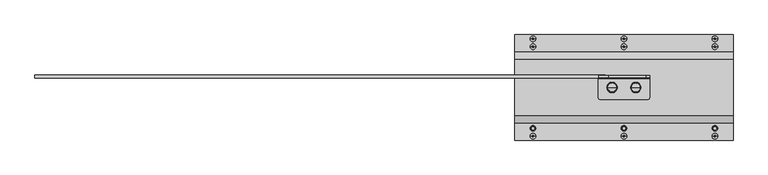
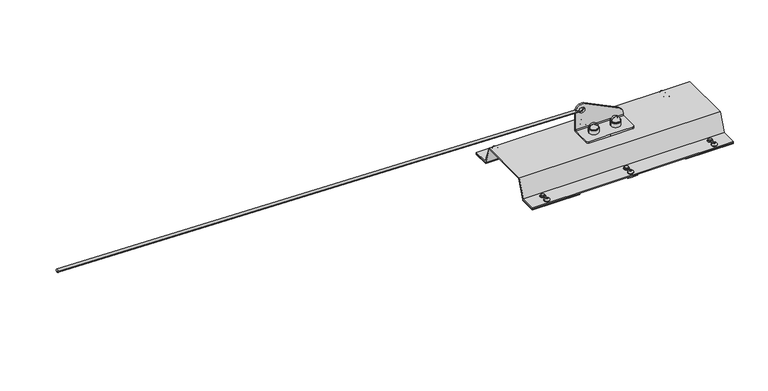
"""IFC4 building model written with IfcOpenShell, lengths in millimetres: proxy geometry."""

from ifc_helpers import new_model, si_unit, point, frame, origin, origin_with_axes, place, context, project, spatial, polyline, circle_curve, ellipse_curve, trimmed, outline, extrude, source, transform, mapped, element, save
from ifc_brep_helpers import plane_surface, cylinder_surface, revolved_surface, extruded_surface, advanced_brep


def specialty_equipment_577012ac(model_context):
    return source(origin(), model_context, "Body", "SolidModel", [
        advanced_brep(
        [(1460.0, -27.5, 61.0), (1447.0, -27.5, 61.0), (1473.0, -27.5, 61.0), (1448.8711318, -27.5, 74.769106), (1460.0, -27.5, 84.5), (1471.1288682, -27.5, 74.769106), (1448.3951125, -27.5, 74.0453749), (1471.6048875, -27.5, 74.0453749), (1447.4849619, -27.5, 73.4985013), (1472.5150381, -27.5, 73.4985013), (1447.0, -27.5, 72.641334), (1473.0, -27.5, 72.641334)],
        [
            (0, 1),
            (1, 2, circle_curve(frame((1460.0, -27.5, 61.0), z_axis=(0.0, 0.0, -1.0), x_axis=(1.0, 0.0, 0.0)), 13.0)),
            (2, 0),
            (2, 1, circle_curve(frame((1460.0, -27.5, 61.0), z_axis=(0.0, 0.0, -1.0), x_axis=(1.0, 0.0, 0.0)), 13.0)),
            (3, 4, circle_curve(frame((1460.0, -27.5, 73.2707129), z_axis=(0.0, 1.0, 0.0), x_axis=(1.0, 0.0, 0.0)), 11.2292871)),
            (4, 5, circle_curve(frame((1460.0, -27.5, 73.2707129), z_axis=(0.0, 1.0, 0.0), x_axis=(-1.0, 0.0, 0.0)), 11.2292871)),
            (5, 3, circle_curve(frame((1460.0, -27.5, 74.769106), z_axis=(0.0, 0.0, 1.0), x_axis=(1.0, 0.0, 0.0)), 11.1288682)),
            (3, 5, circle_curve(frame((1460.0, -27.5, 74.769106), z_axis=(0.0, 0.0, 1.0), x_axis=(1.0, 0.0, 0.0)), 11.1288682)),
            (6, 3, circle_curve(frame((1447.8800744, -27.5, 74.9025422), z_axis=(0.0, -1.0, 0.0), x_axis=(1.0, 0.0, 0.0)), 1.0)),
            (5, 7, circle_curve(frame((1472.1199256, -27.5, 74.9025422), z_axis=(0.0, -1.0, 0.0), x_axis=(-1.0, 0.0, 0.0)), 1.0)),
            (7, 6, circle_curve(frame((1460.0, -27.5, 74.0453749), z_axis=(0.0, 0.0, 1.0), x_axis=(1.0, 0.0, 0.0)), 11.6048875)),
            (6, 7, circle_curve(frame((1460.0, -27.5, 74.0453749), z_axis=(0.0, 0.0, 1.0), x_axis=(1.0, 0.0, 0.0)), 11.6048875)),
            (8, 6),
            (7, 9),
            (9, 8, circle_curve(frame((1460.0, -27.5, 73.4985013), z_axis=(0.0, 0.0, 1.0), x_axis=(1.0, 0.0, 0.0)), 12.5150381)),
            (8, 9, circle_curve(frame((1460.0, -27.5, 73.4985013), z_axis=(0.0, 0.0, 1.0), x_axis=(1.0, 0.0, 0.0)), 12.5150381)),
            (10, 8, circle_curve(frame((1448.0, -27.5, 72.641334), z_axis=(0.0, 1.0, 0.0), x_axis=(1.0, 0.0, 0.0)), 1.0)),
            (9, 11, circle_curve(frame((1472.0, -27.5, 72.641334), z_axis=(0.0, 1.0, 0.0), x_axis=(-1.0, 0.0, 0.0)), 1.0)),
            (11, 10, circle_curve(frame((1460.0, -27.5, 72.641334), z_axis=(0.0, 0.0, 1.0), x_axis=(1.0, 0.0, 0.0)), 13.0)),
            (10, 11, circle_curve(frame((1460.0, -27.5, 72.641334), z_axis=(0.0, 0.0, 1.0), x_axis=(1.0, 0.0, 0.0)), 13.0)),
            (1, 10),
            (11, 2),
        ],
        [
            plane_surface(frame((1460.0, -27.5, 61.0), z_axis=(0.0, 0.0, -1.0), x_axis=(1.0, 0.0, 0.0))),
            revolved_surface(trimmed(ellipse_curve(frame((1460.0, -27.5, 73.2707129), z_axis=(0.0, 1.0, 0.0), x_axis=(-1.0, 0.0, 0.0)), 11.2292871, 11.2292871), [point((1460.0, -27.5, 84.5))], [point((1471.1288682, -27.5, 74.769106))], True, "CARTESIAN"), (1460.0, -27.5, 53.3736575), (0.0, 0.0, -1.0)),
            revolved_surface(trimmed(ellipse_curve(frame((1472.1199256, -27.5, 74.9025422), z_axis=(0.0, -1.0, 0.0), x_axis=(-1.0, 0.0, 0.0)), 1.0, 1.0), [point((1471.1288682, -27.5, 74.769106))], [point((1471.6048875, -27.5, 74.0453749))], True, "CARTESIAN"), (1460.0, -27.5, 53.3736575), (0.0, 0.0, -1.0)),
            revolved_surface(polyline([(1471.6048875, -27.5, 74.0453749), (1472.5150381, -27.5, 73.4985013)]), (1460.0, -27.5, 53.3736575), (0.0, 0.0, -1.0)),
            revolved_surface(trimmed(ellipse_curve(frame((1472.0, -27.5, 72.641334), z_axis=(0.0, 1.0, 0.0), x_axis=(-1.0, 0.0, 0.0)), 1.0, 1.0), [point((1472.5150381, -27.5, 73.4985013))], [point((1473.0, -27.5, 72.641334))], True, "CARTESIAN"), (1460.0, -27.5, 53.3736575), (0.0, 0.0, -1.0)),
            cylinder_surface(frame((1460.0, -27.5, 53.3736575), z_axis=(0.0, 0.0, -1.0), x_axis=(1.0, 0.0, 0.0)), 13.0),
        ],
        [
            (0, [[1, 2, 3]]),
            (0, [[-3, 4, -1]]),
            (1, [[5, 6, 7]]),
            (1, [[-6, -5, 8]]),
            (2, [[9, -7, 10, 11]]),
            (2, [[-10, -8, -9, 12]]),
            (3, [[13, -11, 14, 15]]),
            (3, [[-14, -12, -13, 16]]),
            (4, [[17, -15, 18, 19]]),
            (4, [[-18, -16, -17, 20]]),
            (5, [[21, -19, 22, -2]]),
            (5, [[-22, -20, -21, -4]]),
        ],
    ),
        advanced_brep(
        [(1520.0, -27.5, 61.0), (1507.0, -27.5, 61.0), (1533.0, -27.5, 61.0), (1508.8711318, -27.5, 74.769106), (1520.0, -27.5, 84.5), (1531.1288682, -27.5, 74.769106), (1508.3951125, -27.5, 74.0453749), (1531.6048875, -27.5, 74.0453749), (1507.4849619, -27.5, 73.4985013), (1532.5150381, -27.5, 73.4985013), (1507.0, -27.5, 72.641334), (1533.0, -27.5, 72.641334)],
        [
            (0, 1),
            (1, 2, circle_curve(frame((1520.0, -27.5, 61.0), z_axis=(0.0, 0.0, -1.0), x_axis=(1.0, 0.0, 0.0)), 13.0)),
            (2, 0),
            (2, 1, circle_curve(frame((1520.0, -27.5, 61.0), z_axis=(0.0, 0.0, -1.0), x_axis=(1.0, 0.0, 0.0)), 13.0)),
            (3, 4, circle_curve(frame((1520.0, -27.5, 73.2707129), z_axis=(0.0, 1.0, 0.0), x_axis=(1.0, 0.0, 0.0)), 11.2292871)),
            (4, 5, circle_curve(frame((1520.0, -27.5, 73.2707129), z_axis=(0.0, 1.0, 0.0), x_axis=(-1.0, 0.0, 0.0)), 11.2292871)),
            (5, 3, circle_curve(frame((1520.0, -27.5, 74.769106), z_axis=(0.0, 0.0, 1.0), x_axis=(1.0, 0.0, 0.0)), 11.1288682)),
            (3, 5, circle_curve(frame((1520.0, -27.5, 74.769106), z_axis=(0.0, 0.0, 1.0), x_axis=(1.0, 0.0, 0.0)), 11.1288682)),
            (6, 3, circle_curve(frame((1507.8800744, -27.5, 74.9025422), z_axis=(0.0, -1.0, 0.0), x_axis=(1.0, 0.0, 0.0)), 1.0)),
            (5, 7, circle_curve(frame((1532.1199256, -27.5, 74.9025422), z_axis=(0.0, -1.0, 0.0), x_axis=(-1.0, 0.0, 0.0)), 1.0)),
            (7, 6, circle_curve(frame((1520.0, -27.5, 74.0453749), z_axis=(0.0, 0.0, 1.0), x_axis=(1.0, 0.0, 0.0)), 11.6048875)),
            (6, 7, circle_curve(frame((1520.0, -27.5, 74.0453749), z_axis=(0.0, 0.0, 1.0), x_axis=(1.0, 0.0, 0.0)), 11.6048875)),
            (8, 6),
            (7, 9),
            (9, 8, circle_curve(frame((1520.0, -27.5, 73.4985013), z_axis=(0.0, 0.0, 1.0), x_axis=(1.0, 0.0, 0.0)), 12.5150381)),
            (8, 9, circle_curve(frame((1520.0, -27.5, 73.4985013), z_axis=(0.0, 0.0, 1.0), x_axis=(1.0, 0.0, 0.0)), 12.5150381)),
            (10, 8, circle_curve(frame((1508.0, -27.5, 72.641334), z_axis=(0.0, 1.0, 0.0), x_axis=(1.0, 0.0, 0.0)), 1.0)),
            (9, 11, circle_curve(frame((1532.0, -27.5, 72.641334), z_axis=(0.0, 1.0, 0.0), x_axis=(-1.0, 0.0, 0.0)), 1.0)),
            (11, 10, circle_curve(frame((1520.0, -27.5, 72.641334), z_axis=(0.0, 0.0, 1.0), x_axis=(1.0, 0.0, 0.0)), 13.0)),
            (10, 11, circle_curve(frame((1520.0, -27.5, 72.641334), z_axis=(0.0, 0.0, 1.0), x_axis=(1.0, 0.0, 0.0)), 13.0)),
            (1, 10),
            (11, 2),
        ],
        [
            plane_surface(frame((1520.0, -27.5, 61.0), z_axis=(0.0, 0.0, -1.0), x_axis=(1.0, 0.0, 0.0))),
            revolved_surface(trimmed(ellipse_curve(frame((1520.0, -27.5, 73.2707129), z_axis=(0.0, 1.0, 0.0), x_axis=(-1.0, 0.0, 0.0)), 11.2292871, 11.2292871), [point((1520.0, -27.5, 84.5))], [point((1531.1288682, -27.5, 74.769106))], True, "CARTESIAN"), (1520.0, -27.5, 53.3736575), (0.0, 0.0, -1.0)),
            revolved_surface(trimmed(ellipse_curve(frame((1532.1199256, -27.5, 74.9025422), z_axis=(0.0, -1.0, 0.0), x_axis=(-1.0, 0.0, 0.0)), 1.0, 1.0), [point((1531.1288682, -27.5, 74.769106))], [point((1531.6048875, -27.5, 74.0453749))], True, "CARTESIAN"), (1520.0, -27.5, 53.3736575), (0.0, 0.0, -1.0)),
            revolved_surface(polyline([(1531.6048875, -27.5, 74.0453749), (1532.5150381, -27.5, 73.4985013)]), (1520.0, -27.5, 53.3736575), (0.0, 0.0, -1.0)),
            revolved_surface(trimmed(ellipse_curve(frame((1532.0, -27.5, 72.641334), z_axis=(0.0, 1.0, 0.0), x_axis=(-1.0, 0.0, 0.0)), 1.0, 1.0), [point((1532.5150381, -27.5, 73.4985013))], [point((1533.0, -27.5, 72.641334))], True, "CARTESIAN"), (1520.0, -27.5, 53.3736575), (0.0, 0.0, -1.0)),
            cylinder_surface(frame((1520.0, -27.5, 53.3736575), z_axis=(0.0, 0.0, -1.0), x_axis=(1.0, 0.0, 0.0)), 13.0),
        ],
        [
            (0, [[1, 2, 3]]),
            (0, [[-3, 4, -1]]),
            (1, [[5, 6, 7]]),
            (1, [[-6, -5, 8]]),
            (2, [[9, -7, 10, 11]]),
            (2, [[-10, -8, -9, 12]]),
            (3, [[13, -11, 14, 15]]),
            (3, [[-14, -12, -13, 16]]),
            (4, [[17, -15, 18, 19]]),
            (4, [[-18, -16, -17, 20]]),
            (5, [[21, -19, 22, -2]]),
            (5, [[-22, -20, -21, -4]]),
        ],
    ),
        advanced_brep(
        [(1425.0, -2.5, 114.5), (1425.0, -2.5, 64.0), (1555.0, -2.5, 64.0), (1555.0, -2.5, 68.1654041), (1545.1714951, -2.5, 83.8942999), (1450.1714951, -2.5, 130.2288958), (1435.0, -2.5, 114.5), (1450.0, -2.5, 114.5), (1555.0, 2.5, 68.1654041), (1555.0, 2.5, 64.0), (1425.0, 2.5, 64.0), (1425.0, 2.5, 114.5), (1450.1714951, 2.5, 130.2288958), (1545.1714951, 2.5, 83.8942999), (1450.0, 2.5, 114.5), (1435.0, 2.5, 114.5), (1555.0, -27.5, 61.0), (1555.0, -5.5, 61.0), (1425.0, -5.5, 61.0), (1425.0, -27.5, 61.0), (1425.0, -52.5, 61.0), (1430.0, -57.5, 61.0), (1490.0, -57.5, 61.0), (1550.0, -57.5, 61.0), (1555.0, -52.5, 61.0), (1425.0, -27.5, 56.0), (1425.0, -5.5, 56.0), (1555.0, -5.5, 56.0), (1555.0, -27.5, 56.0), (1555.0, -52.5, 56.0), (1550.0, -57.5, 56.0), (1490.0, -57.5, 56.0), (1430.0, -57.5, 56.0), (1425.0, -52.5, 56.0)],
        [
            (0, 1),
            (1, 2),
            (2, 3),
            (3, 4, circle_curve(frame((1537.5, -2.5, 68.1654041), z_axis=(0.0, -1.0, 0.0), x_axis=(1.0, 0.0, 0.0)), 17.5)),
            (4, 5),
            (5, 0, circle_curve(frame((1442.5, -2.5, 114.5), z_axis=(0.0, -1.0, 0.0), x_axis=(1.0, 0.0, 0.0)), 17.5)),
            (6, 7, circle_curve(frame((1442.5, -2.5, 114.5), z_axis=(0.0, 1.0, 0.0), x_axis=(-1.0, 0.0, 0.0)), 7.5)),
            (7, 6, circle_curve(frame((1442.5, -2.5, 114.5), z_axis=(0.0, 1.0, 0.0), x_axis=(-1.0, 0.0, 0.0)), 7.5)),
            (8, 9),
            (9, 10),
            (10, 11),
            (11, 12, circle_curve(frame((1442.5, 2.5, 114.5), z_axis=(0.0, 1.0, 0.0), x_axis=(1.0, 0.0, 0.0)), 17.5)),
            (12, 13),
            (13, 8, circle_curve(frame((1537.5, 2.5, 68.1654041), z_axis=(0.0, 1.0, 0.0), x_axis=(1.0, 0.0, 0.0)), 17.5)),
            (14, 15, circle_curve(frame((1442.5, 2.5, 114.5), z_axis=(0.0, -1.0, 0.0), x_axis=(-1.0, 0.0, 0.0)), 7.5)),
            (15, 14, circle_curve(frame((1442.5, 2.5, 114.5), z_axis=(0.0, -1.0, 0.0), x_axis=(-1.0, 0.0, 0.0)), 7.5)),
            (16, 17),
            (17, 18),
            (18, 19),
            (19, 20),
            (20, 21, circle_curve(frame((1430.0, -52.5, 61.0), z_axis=(0.0, 0.0, 1.0), x_axis=(0.0, 1.0, 0.0)), 5.0)),
            (21, 22),
            (22, 23),
            (23, 24, circle_curve(frame((1550.0, -52.5, 61.0), z_axis=(0.0, 0.0, 1.0), x_axis=(0.0, 1.0, 0.0)), 5.0)),
            (24, 16),
            (25, 26),
            (26, 27),
            (27, 28),
            (28, 29),
            (29, 30, circle_curve(frame((1550.0, -52.5, 56.0), z_axis=(0.0, 0.0, -1.0), x_axis=(0.0, 1.0, 0.0)), 5.0)),
            (30, 31),
            (31, 32),
            (32, 33, circle_curve(frame((1430.0, -52.5, 56.0), z_axis=(0.0, 0.0, -1.0), x_axis=(0.0, 1.0, 0.0)), 5.0)),
            (33, 25),
            (24, 29),
            (28, 16),
            (23, 30),
            (22, 31),
            (21, 32),
            (20, 33),
            (19, 25),
            (1, 18, circle_curve(frame((1425.0, -5.5, 64.0), z_axis=(-1.0, 0.0, 0.0), x_axis=(0.0, 1.0, 0.0)), 3.0)),
            (17, 2, circle_curve(frame((1555.0, -5.5, 64.0), z_axis=(1.0, 0.0, 0.0), x_axis=(0.0, 1.0, 0.0)), 3.0)),
            (10, 26, circle_curve(frame((1425.0, -5.5, 64.0), z_axis=(-1.0, 0.0, 0.0), x_axis=(0.0, 1.0, 0.0)), 8.0)),
            (0, 11),
            (5, 12),
            (4, 13),
            (3, 8),
            (27, 9, circle_curve(frame((1555.0, -5.5, 64.0), z_axis=(1.0, 0.0, 0.0), x_axis=(0.0, 1.0, 0.0)), 8.0)),
            (7, 14),
            (15, 6),
        ],
        [
            plane_surface(frame((1425.0, -2.5, 61.0), z_axis=(0.0, -1.0, 0.0), x_axis=(0.0, 0.0, 1.0))),
            plane_surface(frame((1425.0, 2.5, 61.0), z_axis=(0.0, 1.0, 0.0), x_axis=(0.0, 0.0, -1.0))),
            plane_surface(frame((1555.0, 2.5, 61.0), z_axis=(0.0, 0.0, 1.0), x_axis=(0.0, -1.0, 0.0))),
            plane_surface(frame((1555.0, 2.5, 56.0), z_axis=(0.0, 0.0, -1.0), x_axis=(0.0, 1.0, 0.0))),
            plane_surface(frame((1555.0, -27.5, 61.0), z_axis=(1.0, 0.0, 0.0), x_axis=(0.0, 0.0, -1.0))),
            cylinder_surface(frame((1550.0, -52.5, 56.0), z_axis=(0.0, 0.0, 1.0), x_axis=(0.0, 1.0, 0.0)), 5.0),
            plane_surface(frame((1550.0, -57.5, 61.0), z_axis=(0.0, -1.0, 0.0), x_axis=(0.0, 0.0, -1.0))),
            plane_surface(frame((1490.0, -57.5, 61.0), z_axis=(0.0, -1.0, 0.0), x_axis=(0.0, 0.0, -1.0))),
            cylinder_surface(frame((1430.0, -52.5, 56.0), z_axis=(0.0, 0.0, 1.0), x_axis=(0.0, 1.0, 0.0)), 5.0),
            plane_surface(frame((1425.0, -52.5, 61.0), z_axis=(-1.0, 0.0, 0.0), x_axis=(0.0, 0.0, -1.0))),
            revolved_surface(polyline([(1555.0, -2.5, 64.0), (1425.0, -2.5, 64.0)]), (1555.0, -5.5, 64.0), (1.0, 0.0, 0.0)),
            plane_surface(frame((1425.0, -2.5, 61.0), z_axis=(-1.0, 0.0, 0.0), x_axis=(0.0, 1.0, 0.0))),
            cylinder_surface(frame((1442.5, 2.5, 114.5), z_axis=(0.0, -1.0, 0.0), x_axis=(1.0, 0.0, 0.0)), 17.5),
            plane_surface(frame((1450.1714951, -2.5, 130.2288958), z_axis=(0.43837114678908046, 0.0, 0.8987940462991656), x_axis=(0.0, 1.0, 0.0))),
            cylinder_surface(frame((1537.5, 2.5, 68.1654041), z_axis=(0.0, -1.0, 0.0), x_axis=(1.0, 0.0, 0.0)), 17.5),
            plane_surface(frame((1555.0, -2.5, 68.1654041), z_axis=(1.0, 0.0, 0.0), x_axis=(0.0, 1.0, 0.0))),
            revolved_surface(polyline([(1435.0, -2.5, 114.5), (1435.0, 2.5, 114.5)]), (1442.5, 2.5, 114.5), (0.0, -1.0, 0.0)),
            cylinder_surface(frame((1555.0, -5.5, 64.0), z_axis=(1.0, 0.0, 0.0), x_axis=(0.0, 1.0, 0.0)), 8.0),
        ],
        [
            (0, [[1, 2, 3, 4, 5, 6], [7, 8]]),
            (1, [[9, 10, 11, 12, 13, 14], [15, 16]]),
            (2, [[17, 18, 19, 20, 21, 22, 23, 24, 25]]),
            (3, [[26, 27, 28, 29, 30, 31, 32, 33, 34]]),
            (4, [[35, -29, 36, -25]]),
            (5, [[37, -30, -35, -24]]),
            (6, [[38, -31, -37, -23]]),
            (7, [[39, -32, -38, -22]]),
            (8, [[40, -33, -39, -21]]),
            (9, [[41, -34, -40, -20]]),
            (10, [[-2, 42, -18, 43]]),
            (11, [[-11, 44, -26, -41, -19, -42, -1, 45]]),
            (12, [[46, -12, -45, -6]]),
            (13, [[47, -13, -46, -5]]),
            (14, [[48, -14, -47, -4]]),
            (15, [[-3, -43, -17, -36, -28, 49, -9, -48]]),
            (16, [[-8, 50, -16, 51]]),
            (16, [[-15, -50, -7, -51]]),
            (17, [[-49, -27, -44, -10]]),
        ],
    ),
        extrude(outline(polyline([(61.0, 3.0), (42.7695663, 53.0877048), (-97.7695663, 53.0877048), (-116.0, 3.0), (-161.0, 3.0), (-161.0, 6.0), (-118.1006226, 6.0), (-99.870189, 56.0877048), (44.870189, 56.0877048), (63.1006226, 6.0), (106.0, 6.0), (106.0, 3.0), (61.0, 3.0)])), frame((1214.0, 0.0, 0.0), z_axis=(1.0, 0.0, 0.0), x_axis=(0.0, 1.0, 0.0)), (0.0, 0.0, 1.0), 552.0),
        extrude(outline(polyline([(1636.0, 106.0), (1766.0, 106.0), (1766.0, 61.0), (1636.0, 61.0), (1636.0, 106.0)])), origin_with_axes(), (0.0, 0.0, 1.0), 3.0),
        extrude(outline(polyline([(1344.0, 106.0), (1344.0, 61.0), (1214.0, 61.0), (1214.0, 106.0), (1344.0, 106.0)])), origin_with_axes(), (0.0, 0.0, 1.0), 3.0),
        extrude(outline(polyline([(1636.0, -161.0), (1636.0, -116.0), (1766.0, -116.0), (1766.0, -161.0), (1636.0, -161.0)])), origin_with_axes(), (0.0, 0.0, 1.0), 3.0),
        extrude(outline(polyline([(1344.0, -161.0), (1214.0, -161.0), (1214.0, -116.0), (1344.0, -116.0), (1344.0, -161.0)])), origin_with_axes(), (0.0, 0.0, 1.0), 3.0),
        extrude(outline(polyline([(1490.0, 106.0), (1504.1113894, 106.0), (1504.1113894, 61.0), (1490.0, 61.0), (1475.8886106, 61.0), (1475.8886106, 106.0), (1490.0, 106.0)])), origin_with_axes(), (0.0, 0.0, 1.0), 3.0),
        extrude(outline(polyline([(1490.0, -161.0), (1475.8886106, -161.0), (1475.8886106, -116.0), (1490.0, -116.0), (1504.1113894, -116.0), (1504.1113894, -161.0), (1490.0, -161.0)])), origin_with_axes(), (0.0, 0.0, 1.0), 3.0),
        advanced_brep(
        [(1252.7019875, -151.0, 6.0), (1260.0, -151.0, 6.0), (1267.2980125, -151.0, 6.0), (1252.7019875, -151.0, 7.5), (1267.2980125, -151.0, 7.5), (1256.7019875, -151.0, 11.5), (1263.2980125, -151.0, 11.5), (1260.0, -151.0, 11.5)],
        [
            (0, 1),
            (1, 2),
            (2, 0, circle_curve(frame((1260.0, -151.0, 6.0), z_axis=(0.0, 0.0, -1.0), x_axis=(1.0, 0.0, 0.0)), 7.2980125)),
            (0, 2, circle_curve(frame((1260.0, -151.0, 6.0), z_axis=(0.0, 0.0, -1.0), x_axis=(1.0, 0.0, 0.0)), 7.2980125)),
            (3, 0),
            (2, 4),
            (4, 3, circle_curve(frame((1260.0, -151.0, 7.5), z_axis=(0.0, 0.0, -1.0), x_axis=(1.0, 0.0, 0.0)), 7.2980125)),
            (3, 4, circle_curve(frame((1260.0, -151.0, 7.5), z_axis=(0.0, 0.0, -1.0), x_axis=(1.0, 0.0, 0.0)), 7.2980125)),
            (5, 3, circle_curve(frame((1256.7019875, -151.0, 7.5), z_axis=(0.0, -1.0, 0.0), x_axis=(-1.0, 0.0, 0.0)), 4.0)),
            (4, 6, circle_curve(frame((1263.2980125, -151.0, 7.5), z_axis=(0.0, -1.0, 0.0), x_axis=(1.0, 0.0, 0.0)), 4.0)),
            (6, 5, circle_curve(frame((1260.0, -151.0, 11.5), z_axis=(0.0, 0.0, -1.0), x_axis=(1.0, 0.0, 0.0)), 3.2980125)),
            (5, 6, circle_curve(frame((1260.0, -151.0, 11.5), z_axis=(0.0, 0.0, -1.0), x_axis=(1.0, 0.0, 0.0)), 3.2980125)),
            (7, 5),
            (6, 7),
        ],
        [
            plane_surface(frame((1260.0, -151.0, 6.0), z_axis=(0.0, 0.0, -1.0), x_axis=(1.0, 0.0, 0.0))),
            cylinder_surface(frame((1260.0, -151.0, -55.0), z_axis=(0.0, 0.0, 1.0), x_axis=(1.0, 0.0, 0.0)), 7.2980125),
            revolved_surface(trimmed(ellipse_curve(frame((1263.2980125, -151.0, 7.5), z_axis=(0.0, -1.0, 0.0), x_axis=(1.0, 0.0, 0.0)), 4.0, 4.0), [point((1267.2980125, -151.0, 7.5))], [point((1263.2980125, -151.0, 11.5))], True, "CARTESIAN"), (1260.0, -151.0, -55.0), (0.0, 0.0, 1.0)),
            plane_surface(frame((1260.0, -151.0, 11.5), z_axis=(0.0, 0.0, 1.0), x_axis=(1.0, 0.0, 0.0))),
        ],
        [
            (0, [[1, 2, 3]]),
            (0, [[-2, -1, 4]]),
            (1, [[5, -3, 6, 7]]),
            (1, [[-6, -4, -5, 8]]),
            (2, [[9, -7, 10, 11]]),
            (2, [[-10, -8, -9, 12]]),
            (3, [[13, -11, 14]]),
            (3, [[-14, -12, -13]]),
        ],
    ),
        advanced_brep(
        [(1482.7019875, -151.0, 6.0), (1490.0, -151.0, 6.0), (1497.2980125, -151.0, 6.0), (1482.7019875, -151.0, 7.5), (1497.2980125, -151.0, 7.5), (1486.7019875, -151.0, 11.5), (1493.2980125, -151.0, 11.5), (1490.0, -151.0, 11.5)],
        [
            (0, 1),
            (1, 2),
            (2, 0, circle_curve(frame((1490.0, -151.0, 6.0), z_axis=(0.0, 0.0, -1.0), x_axis=(1.0, 0.0, 0.0)), 7.2980125)),
            (0, 2, circle_curve(frame((1490.0, -151.0, 6.0), z_axis=(0.0, 0.0, -1.0), x_axis=(1.0, 0.0, 0.0)), 7.2980125)),
            (3, 0),
            (2, 4),
            (4, 3, circle_curve(frame((1490.0, -151.0, 7.5), z_axis=(0.0, 0.0, -1.0), x_axis=(1.0, 0.0, 0.0)), 7.2980125)),
            (3, 4, circle_curve(frame((1490.0, -151.0, 7.5), z_axis=(0.0, 0.0, -1.0), x_axis=(1.0, 0.0, 0.0)), 7.2980125)),
            (5, 3, circle_curve(frame((1486.7019875, -151.0, 7.5), z_axis=(0.0, -1.0, 0.0), x_axis=(-1.0, 0.0, 0.0)), 4.0)),
            (4, 6, circle_curve(frame((1493.2980125, -151.0, 7.5), z_axis=(0.0, -1.0, 0.0), x_axis=(1.0, 0.0, 0.0)), 4.0)),
            (6, 5, circle_curve(frame((1490.0, -151.0, 11.5), z_axis=(0.0, 0.0, -1.0), x_axis=(1.0, 0.0, 0.0)), 3.2980125)),
            (5, 6, circle_curve(frame((1490.0, -151.0, 11.5), z_axis=(0.0, 0.0, -1.0), x_axis=(1.0, 0.0, 0.0)), 3.2980125)),
            (7, 5),
            (6, 7),
        ],
        [
            plane_surface(frame((1490.0, -151.0, 6.0), z_axis=(0.0, 0.0, -1.0), x_axis=(1.0, 0.0, 0.0))),
            cylinder_surface(frame((1490.0, -151.0, -55.0), z_axis=(0.0, 0.0, 1.0), x_axis=(1.0, 0.0, 0.0)), 7.2980125),
            revolved_surface(trimmed(ellipse_curve(frame((1493.2980125, -151.0, 7.5), z_axis=(0.0, -1.0, 0.0), x_axis=(1.0, 0.0, 0.0)), 4.0, 4.0), [point((1497.2980125, -151.0, 7.5))], [point((1493.2980125, -151.0, 11.5))], True, "CARTESIAN"), (1490.0, -151.0, -55.0), (0.0, 0.0, 1.0)),
            plane_surface(frame((1490.0, -151.0, 11.5), z_axis=(0.0, 0.0, 1.0), x_axis=(1.0, 0.0, 0.0))),
        ],
        [
            (0, [[1, 2, 3]]),
            (0, [[-2, -1, 4]]),
            (1, [[5, -3, 6, 7]]),
            (1, [[-6, -4, -5, 8]]),
            (2, [[9, -7, 10, 11]]),
            (2, [[-10, -8, -9, 12]]),
            (3, [[13, -11, 14]]),
            (3, [[-14, -12, -13]]),
        ],
    ),
        advanced_brep(
        [(1712.7019875, -151.0, 6.0), (1720.0, -151.0, 6.0), (1727.2980125, -151.0, 6.0), (1712.7019875, -151.0, 7.5), (1727.2980125, -151.0, 7.5), (1716.7019875, -151.0, 11.5), (1723.2980125, -151.0, 11.5), (1720.0, -151.0, 11.5)],
        [
            (0, 1),
            (1, 2),
            (2, 0, circle_curve(frame((1720.0, -151.0, 6.0), z_axis=(0.0, 0.0, -1.0), x_axis=(1.0, 0.0, 0.0)), 7.2980125)),
            (0, 2, circle_curve(frame((1720.0, -151.0, 6.0), z_axis=(0.0, 0.0, -1.0), x_axis=(1.0, 0.0, 0.0)), 7.2980125)),
            (3, 0),
            (2, 4),
            (4, 3, circle_curve(frame((1720.0, -151.0, 7.5), z_axis=(0.0, 0.0, -1.0), x_axis=(1.0, 0.0, 0.0)), 7.2980125)),
            (3, 4, circle_curve(frame((1720.0, -151.0, 7.5), z_axis=(0.0, 0.0, -1.0), x_axis=(1.0, 0.0, 0.0)), 7.2980125)),
            (5, 3, circle_curve(frame((1716.7019875, -151.0, 7.5), z_axis=(0.0, -1.0, 0.0), x_axis=(-1.0, 0.0, 0.0)), 4.0)),
            (4, 6, circle_curve(frame((1723.2980125, -151.0, 7.5), z_axis=(0.0, -1.0, 0.0), x_axis=(1.0, 0.0, 0.0)), 4.0)),
            (6, 5, circle_curve(frame((1720.0, -151.0, 11.5), z_axis=(0.0, 0.0, -1.0), x_axis=(1.0, 0.0, 0.0)), 3.2980125)),
            (5, 6, circle_curve(frame((1720.0, -151.0, 11.5), z_axis=(0.0, 0.0, -1.0), x_axis=(1.0, 0.0, 0.0)), 3.2980125)),
            (7, 5),
            (6, 7),
        ],
        [
            plane_surface(frame((1720.0, -151.0, 6.0), z_axis=(0.0, 0.0, -1.0), x_axis=(1.0, 0.0, 0.0))),
            cylinder_surface(frame((1720.0, -151.0, -55.0), z_axis=(0.0, 0.0, 1.0), x_axis=(1.0, 0.0, 0.0)), 7.2980125),
            revolved_surface(trimmed(ellipse_curve(frame((1723.2980125, -151.0, 7.5), z_axis=(0.0, -1.0, 0.0), x_axis=(1.0, 0.0, 0.0)), 4.0, 4.0), [point((1727.2980125, -151.0, 7.5))], [point((1723.2980125, -151.0, 11.5))], True, "CARTESIAN"), (1720.0, -151.0, -55.0), (0.0, 0.0, 1.0)),
            plane_surface(frame((1720.0, -151.0, 11.5), z_axis=(0.0, 0.0, 1.0), x_axis=(1.0, 0.0, 0.0))),
        ],
        [
            (0, [[1, 2, 3]]),
            (0, [[-2, -1, 4]]),
            (1, [[5, -3, 6, 7]]),
            (1, [[-6, -4, -5, 8]]),
            (2, [[9, -7, 10, 11]]),
            (2, [[-10, -8, -9, 12]]),
            (3, [[13, -11, 14]]),
            (3, [[-14, -12, -13]]),
        ],
    ),
        advanced_brep(
        [(1267.2980125, 76.0, 6.0), (1260.0, 76.0, 6.0), (1252.7019875, 76.0, 6.0), (1267.2980125, 76.0, 7.5), (1252.7019875, 76.0, 7.5), (1263.2980125, 76.0, 11.5), (1256.7019875, 76.0, 11.5), (1260.0, 76.0, 11.5)],
        [
            (0, 1),
            (1, 2),
            (2, 0, circle_curve(frame((1260.0, 76.0, 6.0), z_axis=(0.0, 0.0, -1.0), x_axis=(-1.0, 0.0, 0.0)), 7.2980125)),
            (0, 2, circle_curve(frame((1260.0, 76.0, 6.0), z_axis=(0.0, 0.0, -1.0), x_axis=(-1.0, 0.0, 0.0)), 7.2980125)),
            (3, 0),
            (2, 4),
            (4, 3, circle_curve(frame((1260.0, 76.0, 7.5), z_axis=(0.0, 0.0, -1.0), x_axis=(-1.0, 0.0, 0.0)), 7.2980125)),
            (3, 4, circle_curve(frame((1260.0, 76.0, 7.5), z_axis=(0.0, 0.0, -1.0), x_axis=(-1.0, 0.0, 0.0)), 7.2980125)),
            (5, 3, circle_curve(frame((1263.2980125, 76.0, 7.5), z_axis=(0.0, 1.0, 0.0), x_axis=(-1.0, 0.0, 0.0)), 4.0)),
            (4, 6, circle_curve(frame((1256.7019875, 76.0, 7.5), z_axis=(0.0, 1.0, 0.0), x_axis=(1.0, 0.0, 0.0)), 4.0)),
            (6, 5, circle_curve(frame((1260.0, 76.0, 11.5), z_axis=(0.0, 0.0, -1.0), x_axis=(-1.0, 0.0, 0.0)), 3.2980125)),
            (5, 6, circle_curve(frame((1260.0, 76.0, 11.5), z_axis=(0.0, 0.0, -1.0), x_axis=(-1.0, 0.0, 0.0)), 3.2980125)),
            (7, 5),
            (6, 7),
        ],
        [
            plane_surface(frame((1260.0, 76.0, 6.0), z_axis=(0.0, 0.0, -1.0), x_axis=(-1.0, 0.0, 0.0))),
            cylinder_surface(frame((1260.0, 76.0, -55.0), z_axis=(0.0, 0.0, 1.0), x_axis=(-1.0, 0.0, 0.0)), 7.2980125),
            revolved_surface(trimmed(ellipse_curve(frame((1256.7019875, 76.0, 7.5), z_axis=(0.0, 1.0, 0.0), x_axis=(1.0, 0.0, 0.0)), 4.0, 4.0), [point((1252.7019875, 76.0, 7.5))], [point((1256.7019875, 76.0, 11.5))], True, "CARTESIAN"), (1260.0, 76.0, -55.0), (0.0, 0.0, 1.0)),
            plane_surface(frame((1260.0, 76.0, 11.5), z_axis=(0.0, 0.0, 1.0), x_axis=(-1.0, 0.0, 0.0))),
        ],
        [
            (0, [[1, 2, 3]]),
            (0, [[-2, -1, 4]]),
            (1, [[5, -3, 6, 7]]),
            (1, [[-6, -4, -5, 8]]),
            (2, [[9, -7, 10, 11]]),
            (2, [[-10, -8, -9, 12]]),
            (3, [[13, -11, 14]]),
            (3, [[-14, -12, -13]]),
        ],
    ),
        advanced_brep(
        [(1497.2980125, 76.0, 6.0), (1490.0, 76.0, 6.0), (1482.7019875, 76.0, 6.0), (1497.2980125, 76.0, 7.5), (1482.7019875, 76.0, 7.5), (1493.2980125, 76.0, 11.5), (1486.7019875, 76.0, 11.5), (1490.0, 76.0, 11.5)],
        [
            (0, 1),
            (1, 2),
            (2, 0, circle_curve(frame((1490.0, 76.0, 6.0), z_axis=(0.0, 0.0, -1.0), x_axis=(-1.0, 0.0, 0.0)), 7.2980125)),
            (0, 2, circle_curve(frame((1490.0, 76.0, 6.0), z_axis=(0.0, 0.0, -1.0), x_axis=(-1.0, 0.0, 0.0)), 7.2980125)),
            (3, 0),
            (2, 4),
            (4, 3, circle_curve(frame((1490.0, 76.0, 7.5), z_axis=(0.0, 0.0, -1.0), x_axis=(-1.0, 0.0, 0.0)), 7.2980125)),
            (3, 4, circle_curve(frame((1490.0, 76.0, 7.5), z_axis=(0.0, 0.0, -1.0), x_axis=(-1.0, 0.0, 0.0)), 7.2980125)),
            (5, 3, circle_curve(frame((1493.2980125, 76.0, 7.5), z_axis=(0.0, 1.0, 0.0), x_axis=(-1.0, 0.0, 0.0)), 4.0)),
            (4, 6, circle_curve(frame((1486.7019875, 76.0, 7.5), z_axis=(0.0, 1.0, 0.0), x_axis=(1.0, 0.0, 0.0)), 4.0)),
            (6, 5, circle_curve(frame((1490.0, 76.0, 11.5), z_axis=(0.0, 0.0, -1.0), x_axis=(-1.0, 0.0, 0.0)), 3.2980125)),
            (5, 6, circle_curve(frame((1490.0, 76.0, 11.5), z_axis=(0.0, 0.0, -1.0), x_axis=(-1.0, 0.0, 0.0)), 3.2980125)),
            (7, 5),
            (6, 7),
        ],
        [
            plane_surface(frame((1490.0, 76.0, 6.0), z_axis=(0.0, 0.0, -1.0), x_axis=(-1.0, 0.0, 0.0))),
            cylinder_surface(frame((1490.0, 76.0, -55.0), z_axis=(0.0, 0.0, 1.0), x_axis=(-1.0, 0.0, 0.0)), 7.2980125),
            revolved_surface(trimmed(ellipse_curve(frame((1486.7019875, 76.0, 7.5), z_axis=(0.0, 1.0, 0.0), x_axis=(1.0, 0.0, 0.0)), 4.0, 4.0), [point((1482.7019875, 76.0, 7.5))], [point((1486.7019875, 76.0, 11.5))], True, "CARTESIAN"), (1490.0, 76.0, -55.0), (0.0, 0.0, 1.0)),
            plane_surface(frame((1490.0, 76.0, 11.5), z_axis=(0.0, 0.0, 1.0), x_axis=(-1.0, 0.0, 0.0))),
        ],
        [
            (0, [[1, 2, 3]]),
            (0, [[-2, -1, 4]]),
            (1, [[5, -3, 6, 7]]),
            (1, [[-6, -4, -5, 8]]),
            (2, [[9, -7, 10, 11]]),
            (2, [[-10, -8, -9, 12]]),
            (3, [[13, -11, 14]]),
            (3, [[-14, -12, -13]]),
        ],
    ),
        advanced_brep(
        [(1727.2980125, 76.0, 6.0), (1720.0, 76.0, 6.0), (1712.7019875, 76.0, 6.0), (1727.2980125, 76.0, 7.5), (1712.7019875, 76.0, 7.5), (1723.2980125, 76.0, 11.5), (1716.7019875, 76.0, 11.5), (1720.0, 76.0, 11.5)],
        [
            (0, 1),
            (1, 2),
            (2, 0, circle_curve(frame((1720.0, 76.0, 6.0), z_axis=(0.0, 0.0, -1.0), x_axis=(-1.0, 0.0, 0.0)), 7.2980125)),
            (0, 2, circle_curve(frame((1720.0, 76.0, 6.0), z_axis=(0.0, 0.0, -1.0), x_axis=(-1.0, 0.0, 0.0)), 7.2980125)),
            (3, 0),
            (2, 4),
            (4, 3, circle_curve(frame((1720.0, 76.0, 7.5), z_axis=(0.0, 0.0, -1.0), x_axis=(-1.0, 0.0, 0.0)), 7.2980125)),
            (3, 4, circle_curve(frame((1720.0, 76.0, 7.5), z_axis=(0.0, 0.0, -1.0), x_axis=(-1.0, 0.0, 0.0)), 7.2980125)),
            (5, 3, circle_curve(frame((1723.2980125, 76.0, 7.5), z_axis=(0.0, 1.0, 0.0), x_axis=(-1.0, 0.0, 0.0)), 4.0)),
            (4, 6, circle_curve(frame((1716.7019875, 76.0, 7.5), z_axis=(0.0, 1.0, 0.0), x_axis=(1.0, 0.0, 0.0)), 4.0)),
            (6, 5, circle_curve(frame((1720.0, 76.0, 11.5), z_axis=(0.0, 0.0, -1.0), x_axis=(-1.0, 0.0, 0.0)), 3.2980125)),
            (5, 6, circle_curve(frame((1720.0, 76.0, 11.5), z_axis=(0.0, 0.0, -1.0), x_axis=(-1.0, 0.0, 0.0)), 3.2980125)),
            (7, 5),
            (6, 7),
        ],
        [
            plane_surface(frame((1720.0, 76.0, 6.0), z_axis=(0.0, 0.0, -1.0), x_axis=(-1.0, 0.0, 0.0))),
            cylinder_surface(frame((1720.0, 76.0, -55.0), z_axis=(0.0, 0.0, 1.0), x_axis=(-1.0, 0.0, 0.0)), 7.2980125),
            revolved_surface(trimmed(ellipse_curve(frame((1716.7019875, 76.0, 7.5), z_axis=(0.0, 1.0, 0.0), x_axis=(1.0, 0.0, 0.0)), 4.0, 4.0), [point((1712.7019875, 76.0, 7.5))], [point((1716.7019875, 76.0, 11.5))], True, "CARTESIAN"), (1720.0, 76.0, -55.0), (0.0, 0.0, 1.0)),
            plane_surface(frame((1720.0, 76.0, 11.5), z_axis=(0.0, 0.0, 1.0), x_axis=(-1.0, 0.0, 0.0))),
        ],
        [
            (0, [[1, 2, 3]]),
            (0, [[-2, -1, 4]]),
            (1, [[5, -3, 6, 7]]),
            (1, [[-6, -4, -5, 8]]),
            (2, [[9, -7, 10, 11]]),
            (2, [[-10, -8, -9, 12]]),
            (3, [[13, -11, 14]]),
            (3, [[-14, -12, -13]]),
        ],
    ),
        advanced_brep(
        [(1267.2980125, 96.0, 6.0), (1260.0, 96.0, 6.0), (1252.7019875, 96.0, 6.0), (1267.2980125, 96.0, 7.5), (1252.7019875, 96.0, 7.5), (1263.2980125, 96.0, 11.5), (1256.7019875, 96.0, 11.5), (1260.0, 96.0, 11.5)],
        [
            (0, 1),
            (1, 2),
            (2, 0, circle_curve(frame((1260.0, 96.0, 6.0), z_axis=(0.0, 0.0, -1.0), x_axis=(-1.0, 0.0, 0.0)), 7.2980125)),
            (0, 2, circle_curve(frame((1260.0, 96.0, 6.0), z_axis=(0.0, 0.0, -1.0), x_axis=(-1.0, 0.0, 0.0)), 7.2980125)),
            (3, 0),
            (2, 4),
            (4, 3, circle_curve(frame((1260.0, 96.0, 7.5), z_axis=(0.0, 0.0, -1.0), x_axis=(-1.0, 0.0, 0.0)), 7.2980125)),
            (3, 4, circle_curve(frame((1260.0, 96.0, 7.5), z_axis=(0.0, 0.0, -1.0), x_axis=(-1.0, 0.0, 0.0)), 7.2980125)),
            (5, 3, circle_curve(frame((1263.2980125, 96.0, 7.5), z_axis=(0.0, 1.0, 0.0), x_axis=(-1.0, 0.0, 0.0)), 4.0)),
            (4, 6, circle_curve(frame((1256.7019875, 96.0, 7.5), z_axis=(0.0, 1.0, 0.0), x_axis=(1.0, 0.0, 0.0)), 4.0)),
            (6, 5, circle_curve(frame((1260.0, 96.0, 11.5), z_axis=(0.0, 0.0, -1.0), x_axis=(-1.0, 0.0, 0.0)), 3.2980125)),
            (5, 6, circle_curve(frame((1260.0, 96.0, 11.5), z_axis=(0.0, 0.0, -1.0), x_axis=(-1.0, 0.0, 0.0)), 3.2980125)),
            (7, 5),
            (6, 7),
        ],
        [
            plane_surface(frame((1260.0, 96.0, 6.0), z_axis=(0.0, 0.0, -1.0), x_axis=(-1.0, 0.0, 0.0))),
            cylinder_surface(frame((1260.0, 96.0, -55.0), z_axis=(0.0, 0.0, 1.0), x_axis=(-1.0, 0.0, 0.0)), 7.2980125),
            revolved_surface(trimmed(ellipse_curve(frame((1256.7019875, 96.0, 7.5), z_axis=(0.0, 1.0, 0.0), x_axis=(1.0, 0.0, 0.0)), 4.0, 4.0), [point((1252.7019875, 96.0, 7.5))], [point((1256.7019875, 96.0, 11.5))], True, "CARTESIAN"), (1260.0, 96.0, -55.0), (0.0, 0.0, 1.0)),
            plane_surface(frame((1260.0, 96.0, 11.5), z_axis=(0.0, 0.0, 1.0), x_axis=(-1.0, 0.0, 0.0))),
        ],
        [
            (0, [[1, 2, 3]]),
            (0, [[-2, -1, 4]]),
            (1, [[5, -3, 6, 7]]),
            (1, [[-6, -4, -5, 8]]),
            (2, [[9, -7, 10, 11]]),
            (2, [[-10, -8, -9, 12]]),
            (3, [[13, -11, 14]]),
            (3, [[-14, -12, -13]]),
        ],
    ),
        advanced_brep(
        [(1497.2980125, 96.0, 6.0), (1490.0, 96.0, 6.0), (1482.7019875, 96.0, 6.0), (1497.2980125, 96.0, 7.5), (1482.7019875, 96.0, 7.5), (1493.2980125, 96.0, 11.5), (1486.7019875, 96.0, 11.5), (1490.0, 96.0, 11.5)],
        [
            (0, 1),
            (1, 2),
            (2, 0, circle_curve(frame((1490.0, 96.0, 6.0), z_axis=(0.0, 0.0, -1.0), x_axis=(-1.0, 0.0, 0.0)), 7.2980125)),
            (0, 2, circle_curve(frame((1490.0, 96.0, 6.0), z_axis=(0.0, 0.0, -1.0), x_axis=(-1.0, 0.0, 0.0)), 7.2980125)),
            (3, 0),
            (2, 4),
            (4, 3, circle_curve(frame((1490.0, 96.0, 7.5), z_axis=(0.0, 0.0, -1.0), x_axis=(-1.0, 0.0, 0.0)), 7.2980125)),
            (3, 4, circle_curve(frame((1490.0, 96.0, 7.5), z_axis=(0.0, 0.0, -1.0), x_axis=(-1.0, 0.0, 0.0)), 7.2980125)),
            (5, 3, circle_curve(frame((1493.2980125, 96.0, 7.5), z_axis=(0.0, 1.0, 0.0), x_axis=(-1.0, 0.0, 0.0)), 4.0)),
            (4, 6, circle_curve(frame((1486.7019875, 96.0, 7.5), z_axis=(0.0, 1.0, 0.0), x_axis=(1.0, 0.0, 0.0)), 4.0)),
            (6, 5, circle_curve(frame((1490.0, 96.0, 11.5), z_axis=(0.0, 0.0, -1.0), x_axis=(-1.0, 0.0, 0.0)), 3.2980125)),
            (5, 6, circle_curve(frame((1490.0, 96.0, 11.5), z_axis=(0.0, 0.0, -1.0), x_axis=(-1.0, 0.0, 0.0)), 3.2980125)),
            (7, 5),
            (6, 7),
        ],
        [
            plane_surface(frame((1490.0, 96.0, 6.0), z_axis=(0.0, 0.0, -1.0), x_axis=(-1.0, 0.0, 0.0))),
            cylinder_surface(frame((1490.0, 96.0, -55.0), z_axis=(0.0, 0.0, 1.0), x_axis=(-1.0, 0.0, 0.0)), 7.2980125),
            revolved_surface(trimmed(ellipse_curve(frame((1486.7019875, 96.0, 7.5), z_axis=(0.0, 1.0, 0.0), x_axis=(1.0, 0.0, 0.0)), 4.0, 4.0), [point((1482.7019875, 96.0, 7.5))], [point((1486.7019875, 96.0, 11.5))], True, "CARTESIAN"), (1490.0, 96.0, -55.0), (0.0, 0.0, 1.0)),
            plane_surface(frame((1490.0, 96.0, 11.5), z_axis=(0.0, 0.0, 1.0), x_axis=(-1.0, 0.0, 0.0))),
        ],
        [
            (0, [[1, 2, 3]]),
            (0, [[-2, -1, 4]]),
            (1, [[5, -3, 6, 7]]),
            (1, [[-6, -4, -5, 8]]),
            (2, [[9, -7, 10, 11]]),
            (2, [[-10, -8, -9, 12]]),
            (3, [[13, -11, 14]]),
            (3, [[-14, -12, -13]]),
        ],
    ),
        advanced_brep(
        [(1727.2980125, 96.0, 6.0), (1720.0, 96.0, 6.0), (1712.7019875, 96.0, 6.0), (1727.2980125, 96.0, 7.5), (1712.7019875, 96.0, 7.5), (1723.2980125, 96.0, 11.5), (1716.7019875, 96.0, 11.5), (1720.0, 96.0, 11.5)],
        [
            (0, 1),
            (1, 2),
            (2, 0, circle_curve(frame((1720.0, 96.0, 6.0), z_axis=(0.0, 0.0, -1.0), x_axis=(-1.0, 0.0, 0.0)), 7.2980125)),
            (0, 2, circle_curve(frame((1720.0, 96.0, 6.0), z_axis=(0.0, 0.0, -1.0), x_axis=(-1.0, 0.0, 0.0)), 7.2980125)),
            (3, 0),
            (2, 4),
            (4, 3, circle_curve(frame((1720.0, 96.0, 7.5), z_axis=(0.0, 0.0, -1.0), x_axis=(-1.0, 0.0, 0.0)), 7.2980125)),
            (3, 4, circle_curve(frame((1720.0, 96.0, 7.5), z_axis=(0.0, 0.0, -1.0), x_axis=(-1.0, 0.0, 0.0)), 7.2980125)),
            (5, 3, circle_curve(frame((1723.2980125, 96.0, 7.5), z_axis=(0.0, 1.0, 0.0), x_axis=(-1.0, 0.0, 0.0)), 4.0)),
            (4, 6, circle_curve(frame((1716.7019875, 96.0, 7.5), z_axis=(0.0, 1.0, 0.0), x_axis=(1.0, 0.0, 0.0)), 4.0)),
            (6, 5, circle_curve(frame((1720.0, 96.0, 11.5), z_axis=(0.0, 0.0, -1.0), x_axis=(-1.0, 0.0, 0.0)), 3.2980125)),
            (5, 6, circle_curve(frame((1720.0, 96.0, 11.5), z_axis=(0.0, 0.0, -1.0), x_axis=(-1.0, 0.0, 0.0)), 3.2980125)),
            (7, 5),
            (6, 7),
        ],
        [
            plane_surface(frame((1720.0, 96.0, 6.0), z_axis=(0.0, 0.0, -1.0), x_axis=(-1.0, 0.0, 0.0))),
            cylinder_surface(frame((1720.0, 96.0, -55.0), z_axis=(0.0, 0.0, 1.0), x_axis=(-1.0, 0.0, 0.0)), 7.2980125),
            revolved_surface(trimmed(ellipse_curve(frame((1716.7019875, 96.0, 7.5), z_axis=(0.0, 1.0, 0.0), x_axis=(1.0, 0.0, 0.0)), 4.0, 4.0), [point((1712.7019875, 96.0, 7.5))], [point((1716.7019875, 96.0, 11.5))], True, "CARTESIAN"), (1720.0, 96.0, -55.0), (0.0, 0.0, 1.0)),
            plane_surface(frame((1720.0, 96.0, 11.5), z_axis=(0.0, 0.0, 1.0), x_axis=(-1.0, 0.0, 0.0))),
        ],
        [
            (0, [[1, 2, 3]]),
            (0, [[-2, -1, 4]]),
            (1, [[5, -3, 6, 7]]),
            (1, [[-6, -4, -5, 8]]),
            (2, [[9, -7, 10, 11]]),
            (2, [[-10, -8, -9, 12]]),
            (3, [[13, -11, 14]]),
            (3, [[-14, -12, -13]]),
        ],
    ),
        advanced_brep(
        [(1252.7154193, -131.0, 6.0), (1260.0, -131.0, 6.0), (1267.2845807, -131.0, 6.0), (1254.2154193, -131.0, 7.5), (1265.7845807, -131.0, 7.5), (1260.0, -131.0, 7.5)],
        [
            (0, 1),
            (1, 2),
            (2, 0, circle_curve(frame((1260.0, -131.0, 6.0), z_axis=(0.0, 0.0, -1.0), x_axis=(1.0, 0.0, 0.0)), 7.2845807)),
            (0, 2, circle_curve(frame((1260.0, -131.0, 6.0), z_axis=(0.0, 0.0, -1.0), x_axis=(1.0, 0.0, 0.0)), 7.2845807)),
            (3, 0, circle_curve(frame((1254.2154193, -131.0, 6.0), z_axis=(0.0, -1.0, 0.0), x_axis=(-1.0, 0.0, 0.0)), 1.5)),
            (2, 4, circle_curve(frame((1265.7845807, -131.0, 6.0), z_axis=(0.0, -1.0, 0.0), x_axis=(1.0, 0.0, 0.0)), 1.5)),
            (4, 3, circle_curve(frame((1260.0, -131.0, 7.5), z_axis=(0.0, 0.0, -1.0), x_axis=(1.0, 0.0, 0.0)), 5.7845807)),
            (3, 4, circle_curve(frame((1260.0, -131.0, 7.5), z_axis=(0.0, 0.0, -1.0), x_axis=(1.0, 0.0, 0.0)), 5.7845807)),
            (5, 3),
            (4, 5),
        ],
        [
            plane_surface(frame((1260.0, -131.0, 6.0), z_axis=(0.0, 0.0, -1.0), x_axis=(1.0, 0.0, 0.0))),
            revolved_surface(trimmed(ellipse_curve(frame((1265.7845807, -131.0, 6.0), z_axis=(0.0, -1.0, 0.0), x_axis=(1.0, 0.0, 0.0)), 1.5, 1.5), [point((1267.2845807, -131.0, 6.0))], [point((1265.7845807, -131.0, 7.5))], True, "CARTESIAN"), (1260.0, -131.0, -55.0), (0.0, 0.0, 1.0)),
            plane_surface(frame((1260.0, -131.0, 7.5), z_axis=(0.0, 0.0, 1.0), x_axis=(1.0, 0.0, 0.0))),
        ],
        [
            (0, [[1, 2, 3]]),
            (0, [[-2, -1, 4]]),
            (1, [[5, -3, 6, 7]]),
            (1, [[-6, -4, -5, 8]]),
            (2, [[9, -7, 10]]),
            (2, [[-10, -8, -9]]),
        ],
    ),
        advanced_brep(
        [(1482.7154193, -131.0, 6.0), (1490.0, -131.0, 6.0), (1497.2845807, -131.0, 6.0), (1490.0, -131.0, 7.5), (1484.2154193, -131.0, 7.5), (1495.7845807, -131.0, 7.5)],
        [
            (0, 1),
            (1, 2),
            (2, 0, circle_curve(frame((1490.0, -131.0, 6.0), z_axis=(0.0, 0.0, -1.0), x_axis=(1.0, 0.0, 0.0)), 7.2845807)),
            (0, 2, circle_curve(frame((1490.0, -131.0, 6.0), z_axis=(0.0, 0.0, -1.0), x_axis=(1.0, 0.0, 0.0)), 7.2845807)),
            (3, 4),
            (4, 5, circle_curve(frame((1490.0, -131.0, 7.5), z_axis=(0.0, 0.0, 1.0), x_axis=(1.0, 0.0, 0.0)), 5.7845807)),
            (5, 3),
            (5, 4, circle_curve(frame((1490.0, -131.0, 7.5), z_axis=(0.0, 0.0, 1.0), x_axis=(1.0, 0.0, 0.0)), 5.7845807)),
            (4, 0, circle_curve(frame((1484.2154193, -131.0, 6.0), z_axis=(0.0, -1.0, 0.0), x_axis=(-1.0, 0.0, 0.0)), 1.5)),
            (2, 5, circle_curve(frame((1495.7845807, -131.0, 6.0), z_axis=(0.0, -1.0, 0.0), x_axis=(1.0, 0.0, 0.0)), 1.5)),
        ],
        [
            plane_surface(frame((1490.0, -131.0, 6.0), z_axis=(0.0, 0.0, -1.0), x_axis=(1.0, 0.0, 0.0))),
            plane_surface(frame((1490.0, -131.0, 7.5), z_axis=(0.0, 0.0, 1.0), x_axis=(1.0, 0.0, 0.0))),
            revolved_surface(trimmed(ellipse_curve(frame((1495.7845807, -131.0, 6.0), z_axis=(0.0, -1.0, 0.0), x_axis=(1.0, 0.0, 0.0)), 1.5, 1.5), [point((1497.2845807, -131.0, 6.0))], [point((1495.7845807, -131.0, 7.5))], True, "CARTESIAN"), (1490.0, -131.0, -55.0), (0.0, 0.0, 1.0)),
        ],
        [
            (0, [[1, 2, 3]]),
            (0, [[-2, -1, 4]]),
            (1, [[5, 6, 7]]),
            (1, [[-7, 8, -5]]),
            (2, [[9, -3, 10, -6]]),
            (2, [[-10, -4, -9, -8]]),
        ],
    ),
        advanced_brep(
        [(1712.7154193, -131.0, 6.0), (1720.0, -131.0, 6.0), (1727.2845807, -131.0, 6.0), (1714.2154193, -131.0, 7.5), (1725.7845807, -131.0, 7.5), (1720.0, -131.0, 7.5)],
        [
            (0, 1),
            (1, 2),
            (2, 0, circle_curve(frame((1720.0, -131.0, 6.0), z_axis=(0.0, 0.0, -1.0), x_axis=(1.0, 0.0, 0.0)), 7.2845807)),
            (0, 2, circle_curve(frame((1720.0, -131.0, 6.0), z_axis=(0.0, 0.0, -1.0), x_axis=(1.0, 0.0, 0.0)), 7.2845807)),
            (3, 0, circle_curve(frame((1714.2154193, -131.0, 6.0), z_axis=(0.0, -1.0, 0.0), x_axis=(-1.0, 0.0, 0.0)), 1.5)),
            (2, 4, circle_curve(frame((1725.7845807, -131.0, 6.0), z_axis=(0.0, -1.0, 0.0), x_axis=(1.0, 0.0, 0.0)), 1.5)),
            (4, 3, circle_curve(frame((1720.0, -131.0, 7.5), z_axis=(0.0, 0.0, -1.0), x_axis=(1.0, 0.0, 0.0)), 5.7845807)),
            (3, 4, circle_curve(frame((1720.0, -131.0, 7.5), z_axis=(0.0, 0.0, -1.0), x_axis=(1.0, 0.0, 0.0)), 5.7845807)),
            (5, 3),
            (4, 5),
        ],
        [
            plane_surface(frame((1720.0, -131.0, 6.0), z_axis=(0.0, 0.0, -1.0), x_axis=(1.0, 0.0, 0.0))),
            revolved_surface(trimmed(ellipse_curve(frame((1725.7845807, -131.0, 6.0), z_axis=(0.0, -1.0, 0.0), x_axis=(1.0, 0.0, 0.0)), 1.5, 1.5), [point((1727.2845807, -131.0, 6.0))], [point((1725.7845807, -131.0, 7.5))], True, "CARTESIAN"), (1720.0, -131.0, -55.0), (0.0, 0.0, 1.0)),
            plane_surface(frame((1720.0, -131.0, 7.5), z_axis=(0.0, 0.0, 1.0), x_axis=(1.0, 0.0, 0.0))),
        ],
        [
            (0, [[1, 2, 3]]),
            (0, [[-2, -1, 4]]),
            (1, [[5, -3, 6, 7]]),
            (1, [[-6, -4, -5, 8]]),
            (2, [[9, -7, 10]]),
            (2, [[-10, -8, -9]]),
        ],
    ),
        extrude(outline(polyline([(1264.5951195, -131.0), (1262.2975598, -134.9794903), (1257.7024402, -134.9794903), (1255.4048805, -131.0), (1257.7024402, -127.0205097), (1262.2975598, -127.0205097), (1264.5951195, -131.0)])), frame((0.0, 0.0, 7.5), z_axis=(0.0, 0.0, 1.0), x_axis=(1.0, 0.0, 0.0)), (0.0, 0.0, 1.0), 3.5),
        extrude(outline(polyline([(1485.4048805, -131.0), (1487.7024402, -127.0205097), (1492.2975598, -127.0205097), (1494.5951195, -131.0), (1492.2975598, -134.9794903), (1487.7024402, -134.9794903), (1485.4048805, -131.0)])), frame((0.0, 0.0, 7.5), z_axis=(0.0, 0.0, 1.0), x_axis=(1.0, 0.0, 0.0)), (0.0, 0.0, 1.0), 3.5),
        extrude(outline(polyline([(1715.4048805, -131.0), (1717.7024402, -127.0205097), (1722.2975598, -127.0205097), (1724.5951195, -131.0), (1722.2975598, -134.9794903), (1717.7024402, -134.9794903), (1715.4048805, -131.0)])), frame((0.0, 0.0, 7.5), z_axis=(0.0, 0.0, 1.0), x_axis=(1.0, 0.0, 0.0)), (0.0, 0.0, 1.0), 3.5),
        advanced_brep(
        [(1442.5, -4.0000163, 114.5), (1442.5, 3.9999837, 114.5), (1.0, -4.0, 150.5), (1.0, 4.0, 150.5)],
        [
            (0, 1, circle_curve(frame((1442.5, -1.63e-05, 114.5), z_axis=(1.0, 0.0, 0.0), x_axis=(0.0, 1.0, 0.0)), 4.0)),
            (1, 0, circle_curve(frame((1442.5, -1.63e-05, 114.5), z_axis=(1.0, 0.0, 0.0), x_axis=(0.0, 1.0, 0.0)), 4.0)),
            (2, 3, circle_curve(frame((1.0, 0.0, 150.5), z_axis=(-1.0, 0.0, 0.0), x_axis=(0.0, 1.0, 0.0)), 4.0)),
            (3, 2, circle_curve(frame((1.0, 0.0, 150.5), z_axis=(-1.0, 0.0, 0.0), x_axis=(0.0, 1.0, 0.0)), 4.0)),
            (3, 1),
            (0, 2),
        ],
        [
            plane_surface(frame((1442.5, -1.63e-05, 114.5), z_axis=(1.0, 0.0, 0.0), x_axis=(0.0, 0.0, -1.0))),
            plane_surface(frame((1.0, 0.0, 150.5), z_axis=(-1.0, 0.0, 0.0), x_axis=(0.0, 0.0, -1.0))),
            extruded_surface(trimmed(circle_curve(frame((1.0, 0.0, 150.5), z_axis=(1.0, 0.0, 0.0), x_axis=(0.0, 1.0, 0.0)), 4.0), [point((1.0, -4.0, 150.5))], [point((1.0, 4.0, 150.5))], True, "CARTESIAN"), (1441.5, -1.63e-05, -36.0), 1441.9494616663928),
            extruded_surface(trimmed(circle_curve(frame((1.0, 0.0, 150.5), z_axis=(1.0, 0.0, 0.0), x_axis=(0.0, 1.0, 0.0)), 4.0), [point((1.0, 4.0, 150.5))], [point((1.0, -4.0, 150.5))], True, "CARTESIAN"), (1441.5, -1.63e-05, -36.0), 1441.9494616663928),
        ],
        [
            (0, [[1, 2]]),
            (1, [[3, 4]]),
            (2, [[-4, 5, -1, 6]]),
            (3, [[-3, -6, -2, -5]]),
        ],
    ),
    ])


if __name__ == "__main__":
    model = new_model("IFC4")
    model_context = context("Model", 3, world=origin())
    ifc_project = project(units=[si_unit("LENGTHUNIT", "METRE", prefix="MILLI")], contexts=[model_context])
    site = spatial("IfcSite", under=ifc_project)
    building = spatial("IfcBuilding", under=site)
    placement = place(None, origin())
    specialty_equipment_shape = specialty_equipment_577012ac(model_context)
    element("IfcBuildingElementProxy", 1, Name="Specialty Equipment", at=placement, inside=building, context=model_context, shape_type="MappedRepresentation", body=[
        mapped(specialty_equipment_shape, transform((0.0, 0.0, 0.0), x_axis=(1.0, 0.0, 0.0), y_axis=(0.0, 1.0, 0.0), z_axis=(0.0, 0.0, 1.0))),
    ])
    save(model, "model.ifc")
